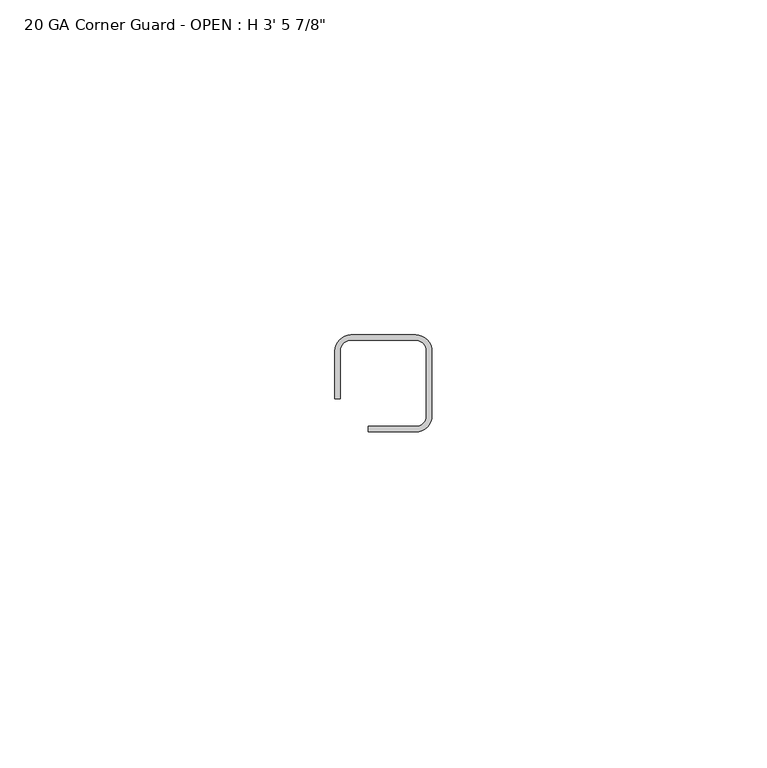
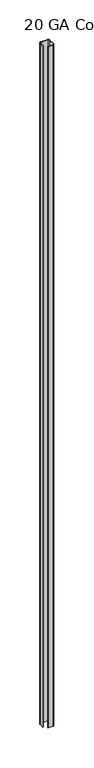
"""IFC4 building model written with IfcOpenShell, lengths in millimetres: proxy geometry."""

from ifc_helpers import new_model, si_unit, point, frame_2d, origin, origin_with_axes, place, context, project, spatial, polyline, circle_curve, trimmed, segment, composite_curve, outline, extrude, source, transform, mapped, element, save


def proxy_cfad25a1(model_context):
    return source(origin(), model_context, "Body", "SweptSolid", [
        extrude(outline(composite_curve([segment(polyline([(16.9730295, 27.1859375), (16.9730295, 20.0421875), (16.1792795, 20.0421875), (16.1792795, 27.1859375)]), True, "CONTINUOUS"), segment(trimmed(circle_curve(frame_2d((18.5605295, 27.1859375)), 2.38125), [point((16.1792795, 27.1859375))], [point((18.5605295, 29.5671875))], False, "CARTESIAN"), True, "CONTINUOUS"), segment(polyline([(18.5605295, 29.5671875), (28.2153041, 29.5671875)]), True, "CONTINUOUS"), segment(trimmed(circle_curve(frame_2d((28.2153041, 27.1426746)), 2.4245129), [point((28.2153041, 29.5671875))], [point((30.639817, 27.1426746))], False, "CARTESIAN"), True, "CONTINUOUS"), segment(polyline([(30.639817, 27.1426746), (30.639817, 17.4879)]), True, "CONTINUOUS"), segment(trimmed(circle_curve(frame_2d((28.258567, 17.4879)), 2.38125), [point((30.639817, 17.4879))], [point((28.258567, 15.10665))], False, "CARTESIAN"), True, "CONTINUOUS"), segment(polyline([(28.258567, 15.10665), (21.114817, 15.10665), (21.114817, 15.9004), (28.258567, 15.9004)]), True, "CONTINUOUS"), segment(trimmed(circle_curve(frame_2d((28.258567, 17.4879)), 1.5875), [point((28.258567, 15.9004))], [point((29.846067, 17.4879))], True, "CARTESIAN"), True, "CONTINUOUS"), segment(polyline([(29.846067, 17.4879), (29.846067, 27.1426746)]), True, "CONTINUOUS"), segment(trimmed(circle_curve(frame_2d((28.2153041, 27.1426746)), 1.6307629), [point((29.846067, 27.1426746))], [point((28.2153041, 28.7734375))], True, "CARTESIAN"), True, "CONTINUOUS"), segment(polyline([(28.2153041, 28.7734375), (18.5605295, 28.7734375)]), True, "CONTINUOUS"), segment(trimmed(circle_curve(frame_2d((18.5605295, 27.1859375)), 1.5875), [point((18.5605295, 28.7734375))], [point((16.9730295, 27.1859375))], True, "CARTESIAN"), True, "CONTINUOUS")], self_intersect=False)), origin_with_axes(), (0.0, 0.0, 1.0), 1063.625),
    ])


if __name__ == "__main__":
    model = new_model("IFC4")
    model_context = context("Model", 3, world=origin())
    ifc_project = project(units=[si_unit("LENGTHUNIT", "METRE", prefix="MILLI")], contexts=[model_context])
    site = spatial("IfcSite", under=ifc_project)
    building = spatial("IfcBuilding", under=site)
    placement = place(None, origin())
    proxy_shape = proxy_cfad25a1(model_context)
    element("IfcBuildingElementProxy", 1, Name="20 GA Corner Guard - OPEN : H 3' 5 7/8\"", ObjectType="20 GA Corner Guard - OPEN : H 3' 5 7/8\"", at=placement, inside=building, context=model_context, shape_type="MappedRepresentation", body=[
        mapped(proxy_shape, transform((0.0, 0.0, 0.0), x_axis=(1.0, 0.0, 0.0), y_axis=(0.0, 1.0, 0.0), z_axis=(0.0, 0.0, 1.0))),
    ])
    save(model, "model.ifc")
